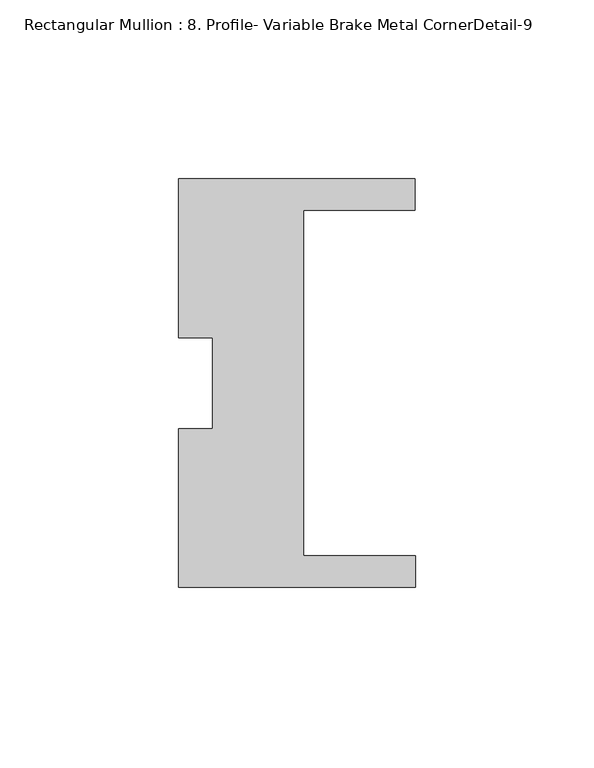
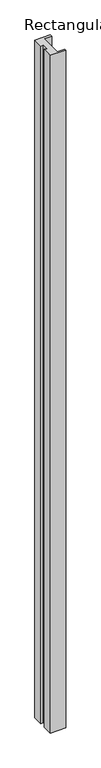
"""IFC4 building model written with IfcOpenShell, lengths in millimetres: member geometry, Rectangular Mullion : 8. Profile- Variable Brake Metal CornerDetail-9."""

import ifcopenshell
import ifcopenshell.guid

model = None  # the IFC model being written
_history = None  # IfcOwnerHistory: only IFC2X3 demands one
_inside = {}  # id of a spatial element -> (the spatial element, [elements in it])
_under = {}  # id of a project, library or spatial element -> (it, [spatial elements below it])
_declared = {}  # id of a project -> (the project, [libraries it declares])
_typed = {}  # id of a type object -> (the type object, [elements of that type])
_made_of = {}  # id of a material, layer set ... -> (it, [elements and type objects made of it])


def new_model(schema):
    """Start an empty IFC model of exactly this schema.

    Asked for "IFC4X3", IfcOpenShell would pick the latest addendum, in which some entities
    have other attributes; the version numbers below select the first issue.
    IFC2X3 requires an IfcOwnerHistory on every rooted entity: one is made here for all.
    """
    global model, _history
    if schema == "IFC4X3":
        model = ifcopenshell.file(schema_version=(4, 3, 0, 0))
    else:
        model = ifcopenshell.file(schema=schema)
    _inside.clear()
    _under.clear()
    _declared.clear()
    _typed.clear()
    _made_of.clear()
    _history = None
    if model.schema == "IFC2X3":
        org = make("IfcOrganization", Name="unknown")
        user = make(
            "IfcPersonAndOrganization",
            ThePerson=make("IfcPerson", FamilyName="unknown"),
            TheOrganization=org,
        )
        app = make(
            "IfcApplication",
            ApplicationDeveloper=org,
            Version="unknown",
            ApplicationFullName="unknown",
            ApplicationIdentifier="unknown",
        )
        _history = make(
            "IfcOwnerHistory",
            OwningUser=user,
            OwningApplication=app,
            ChangeAction="ADDED",
            CreationDate=0,
        )
    return model


def make(cls, **values):
    """One entity of the class cls with the attributes given. An attribute that is None is left unset."""
    return model.create_entity(
        cls, **{name: value for name, value in values.items() if value is not None}
    )


def rooted(cls, **values):
    """An entity with a GlobalId (a new one), such as an element, a storey or a relation."""
    return make(cls, GlobalId=ifcopenshell.guid.new(), OwnerHistory=_history, **values)


def si_unit(unit_type, name, prefix=None):
    """IfcSIUnit, for example si_unit("LENGTHUNIT", "METRE", prefix="MILLI")."""
    return make("IfcSIUnit", UnitType=unit_type, Prefix=prefix, Name=name)


def assignment(units):
    """IfcUnitAssignment: the units of a project."""
    return None if units is None else make("IfcUnitAssignment", Units=units)


def point(xyz):
    """IfcCartesianPoint."""
    return None if xyz is None else make("IfcCartesianPoint", Coordinates=xyz)


def direction(xyz):
    """IfcDirection."""
    return None if xyz is None else make("IfcDirection", DirectionRatios=xyz)


def frame(location, z_axis=None, x_axis=None):
    """IfcAxis2Placement3D, a coordinate frame: its origin and axes. An axis left out is left unset."""
    return make(
        "IfcAxis2Placement3D",
        Location=point(location),
        Axis=direction(z_axis),
        RefDirection=direction(x_axis),
    )


def origin():
    """The frame at (0, 0, 0) with its axes left unset."""
    return frame((0.0, 0.0, 0.0))


def place(relative_to, where):
    """IfcLocalPlacement: puts the frame where relative to a parent placement (None: the world)."""
    return make(
        "IfcLocalPlacement", PlacementRelTo=relative_to, RelativePlacement=where
    )


def context(
    kind, dimensions, precision=None, world=None, true_north=None, identifier=None
):
    """IfcGeometricRepresentationContext, for example the 3D "Model" context."""
    return make(
        "IfcGeometricRepresentationContext",
        ContextIdentifier=identifier,
        ContextType=kind,
        CoordinateSpaceDimension=dimensions,
        Precision=precision,
        WorldCoordinateSystem=world,
        TrueNorth=true_north,
    )


def project(units=None, contexts=None):
    """IfcProject with its units and contexts."""
    return rooted(
        "IfcProject",
        Name="project",
        RepresentationContexts=contexts,
        UnitsInContext=assignment(units),
    )


def spatial(cls, under=None, at=None, **own):
    """A site, building, storey or space (cls), placed at a placement, below another one or the project."""
    s = rooted(cls, ObjectPlacement=at, **own)
    if under is not None:
        _under.setdefault(under.id(), (under, []))[1].append(s)
    return s


def polyline(points):
    """IfcPolyline through the points."""
    return make("IfcPolyline", Points=[point(p) for p in points])


def outline(outer, holes=None, kind="AREA"):
    """IfcArbitraryClosedProfileDef: a profile drawn as a closed curve; with holes, ...WithVoids."""
    if holes is None:
        return make("IfcArbitraryClosedProfileDef", ProfileType=kind, OuterCurve=outer)
    return make(
        "IfcArbitraryProfileDefWithVoids",
        ProfileType=kind,
        OuterCurve=outer,
        InnerCurves=holes,
    )


def extrude(swept, where, along, depth):
    """IfcExtrudedAreaSolid: the profile swept, set in the frame where, extruded along a direction by depth."""
    return make(
        "IfcExtrudedAreaSolid",
        SweptArea=swept,
        Position=where,
        ExtrudedDirection=direction(along),
        Depth=depth,
    )


def shape(context_of_items, identifier, shape_type, items):
    """IfcShapeRepresentation: the items that make up one representation, for example the "Body"."""
    return make(
        "IfcShapeRepresentation",
        ContextOfItems=context_of_items,
        RepresentationIdentifier=identifier,
        RepresentationType=shape_type,
        Items=items,
    )


def source(mapping_origin, context_of_items, identifier, shape_type, items):
    """IfcRepresentationMap: a shape defined once, which mapped items show again and again."""
    return make(
        "IfcRepresentationMap",
        MappingOrigin=mapping_origin,
        MappedRepresentation=shape(context_of_items, identifier, shape_type, items),
    )


def transform(
    local_origin,
    x_axis=None,
    y_axis=None,
    z_axis=None,
    scale=None,
    scale2=None,
    scale3=None,
    uniform=True,
):
    """IfcCartesianTransformationOperator3D, or its non-uniform kind. x_axis, y_axis, z_axis: its Axis1, 2, 3."""
    if uniform:
        return make(
            "IfcCartesianTransformationOperator3D",
            Axis1=direction(x_axis),
            Axis2=direction(y_axis),
            LocalOrigin=point(local_origin),
            Scale=scale,
            Axis3=direction(z_axis),
        )
    return make(
        "IfcCartesianTransformationOperator3DnonUniform",
        Axis1=direction(x_axis),
        Axis2=direction(y_axis),
        LocalOrigin=point(local_origin),
        Scale=scale,
        Axis3=direction(z_axis),
        Scale2=scale2,
        Scale3=scale3,
    )


def mapped(mapping_source, mapping_target):
    """IfcMappedItem: shows the shape of a source again, moved by a transform."""
    return make(
        "IfcMappedItem", MappingSource=mapping_source, MappingTarget=mapping_target
    )


def made_of(thing, what):
    """Note that an element or type object is made of a material, layer set ...; save() writes the relation."""
    if what is not None:
        _made_of.setdefault(what.id(), (what, []))[1].append(thing)
    return thing


def element(
    cls,
    number,
    at=None,
    inside=None,
    cuts=None,
    type_object=None,
    material=None,
    context=None,
    identifier="Body",
    shape_type=None,
    held_by="IfcProductDefinitionShape",
    body=None,
    shapes=None,
    **own,
):
    """One element of the class cls, such as IfcWall. Its Tag is "e" and its number.

    at: its placement. inside: the storey or other place that contains it. cuts: it is an
    opening in that element (IfcRelVoidsElement). A single representation is given by context,
    identifier, shape_type and body (its items); several are given by shapes. held_by: the class
    of the entity that holds the representations. save() writes the other relations.
    """
    e = rooted(cls, Tag="e%d" % number, ObjectPlacement=at, **own)
    if body is not None:
        shapes = [shape(context, identifier, shape_type, body)]
    if shapes is not None:
        e.Representation = make(held_by, Representations=shapes)
    if inside is not None:
        _inside.setdefault(inside.id(), (inside, []))[1].append(e)
    if cuts is not None:
        rooted(
            "IfcRelVoidsElement", RelatingBuildingElement=cuts, RelatedOpeningElement=e
        )
    if type_object is not None:
        _typed.setdefault(type_object.id(), (type_object, []))[1].append(e)
    return made_of(e, material)


def aggregate(whole, parts):
    """IfcRelAggregates: a whole, such as a stair, and the parts it consists of."""
    return rooted("IfcRelAggregates", RelatingObject=whole, RelatedObjects=parts)


def save(model, path):
    """Write the relations noted so far, then the file.

    IfcRelAggregates (storeys below a building ...), IfcRelContainedInSpatialStructure (elements
    in a storey), IfcRelDefinesByType, IfcRelAssociatesMaterial and IfcRelDeclares: one each for
    every whole, place, type object, material and project.
    """
    for whole, parts in _under.values():
        aggregate(whole, parts)
    for where, things in _inside.values():
        rooted(
            "IfcRelContainedInSpatialStructure",
            RelatedElements=things,
            RelatingStructure=where,
        )
    for kind, things in _typed.values():
        rooted("IfcRelDefinesByType", RelatedObjects=things, RelatingType=kind)
    for what, things in _made_of.values():
        rooted("IfcRelAssociatesMaterial", RelatedObjects=things, RelatingMaterial=what)
    for by, libraries in _declared.values():
        rooted("IfcRelDeclares", RelatingContext=by, RelatedDefinitions=libraries)
    model.write(path)


def rectangular_mullion_8_profile_variable_brake_metal_caa8d983(model_context):
    return source(origin(), model_context, "Body", "SweptSolid", [
        extrude(outline(polyline([(0.0, -55.5625), (-66.2279151, -55.5625), (-66.2279151, -11.1674391), (-56.7029151, -11.1674391), (-56.7029151, 14.3202592), (-66.2279151, 14.3202592), (-66.2279151, 58.7375), (-0.0781812, 58.7375), (-0.0781812, 49.952275), (-31.3029151, 49.952275), (-31.3029151, -46.7233), (0.0, -46.7233), (0.0, -55.5625)])), frame((0.0, 0.0, -3048.0), z_axis=(0.0, 0.0, 1.0), x_axis=(1.0, 0.0, 0.0)), (0.0, 0.0, 1.0), 3048.0),
    ])


if __name__ == "__main__":
    model = new_model("IFC4")
    model_context = context("Model", 3, world=origin())
    ifc_project = project(units=[si_unit("LENGTHUNIT", "METRE", prefix="MILLI")], contexts=[model_context])
    site = spatial("IfcSite", under=ifc_project)
    building = spatial("IfcBuilding", under=site)
    placement = place(None, origin())
    rectangular_mullion_8_profile_variable_brake_metal_shape = rectangular_mullion_8_profile_variable_brake_metal_caa8d983(model_context)
    element("IfcMember", 1, ObjectType="Rectangular Mullion : 8. Profile- Variable Brake Metal CornerDetail-9", at=placement, inside=building, context=model_context, shape_type="MappedRepresentation", body=[
        mapped(rectangular_mullion_8_profile_variable_brake_metal_shape, transform((0.0, 0.0, 0.0), x_axis=(1.0, 0.0, 0.0), y_axis=(0.0, 1.0, 0.0), z_axis=(0.0, 0.0, 1.0))),
    ])
    save(model, "model.ifc")
